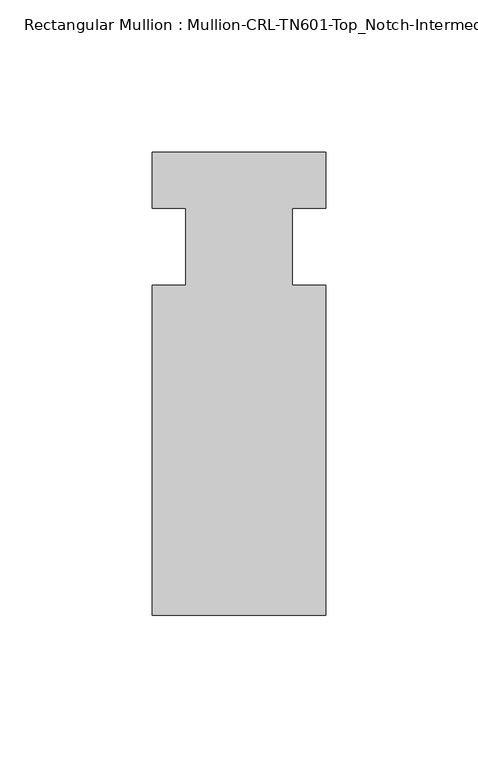
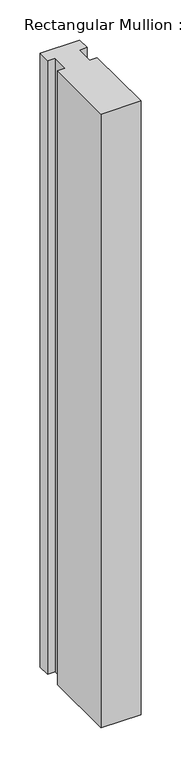
"""IFC4 building model written with IfcOpenShell, lengths in millimetres: member geometry, Rectangular Mullion : Mullion-CRL-TN601-Top_Notch-Intermediate_Horizontal."""

from ifc_helpers import new_model, si_unit, frame, origin, place, context, project, spatial, polyline, outline, extrude, source, transform, mapped, element, save


def rectangular_mullion_mullion_crl_tn601_top_notch_intermediate_ef5f0242(model_context):
    return source(origin(), model_context, "Body", "SweptSolid", [
        extrude(outline(polyline([(-28.575, -12.7), (-17.4625, -12.7), (-17.4625, 12.7), (-28.575, 12.7), (-28.575, 31.140391), (28.575, 31.140391), (28.575, 12.7), (17.4625, 12.7), (17.4625, -12.7), (28.575, -12.7), (28.575, -121.259591), (-28.575, -121.259591), (-28.575, -12.7)])), frame((0.0, 0.0, -933.45), z_axis=(0.0, 0.0, 1.0), x_axis=(1.0, 0.0, 0.0)), (0.0, 0.0, 1.0), 933.45),
    ])


if __name__ == "__main__":
    model = new_model("IFC4")
    model_context = context("Model", 3, world=origin())
    ifc_project = project(units=[si_unit("LENGTHUNIT", "METRE", prefix="MILLI")], contexts=[model_context])
    site = spatial("IfcSite", under=ifc_project)
    building = spatial("IfcBuilding", under=site)
    placement = place(None, origin())
    rectangular_mullion_mullion_crl_tn601_top_notch_intermediate_shape = rectangular_mullion_mullion_crl_tn601_top_notch_intermediate_ef5f0242(model_context)
    element("IfcMember", 1, ObjectType="Rectangular Mullion : Mullion-CRL-TN601-Top_Notch-Intermediate_Horizontal", at=placement, inside=building, context=model_context, shape_type="MappedRepresentation", body=[
        mapped(rectangular_mullion_mullion_crl_tn601_top_notch_intermediate_shape, transform((0.0, 0.0, 0.0), x_axis=(1.0, 0.0, 0.0), y_axis=(0.0, 1.0, 0.0), z_axis=(0.0, 0.0, 1.0))),
    ])
    save(model, "model.ifc")
